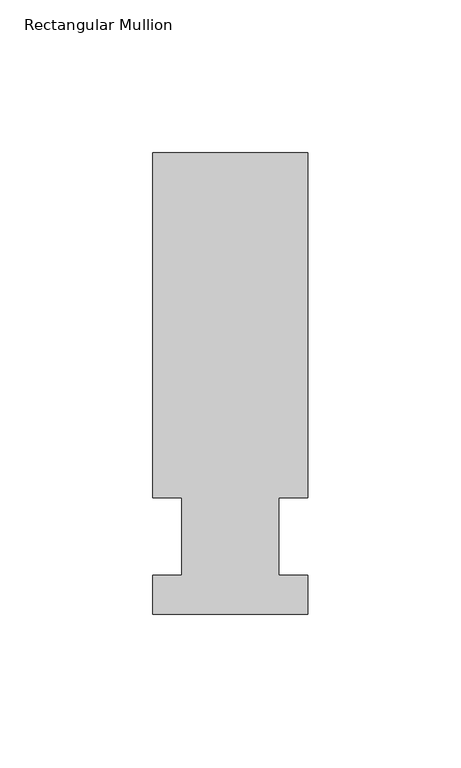
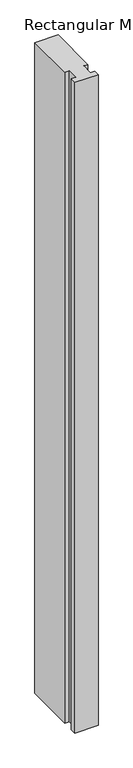
"""IFC4 building model written with IfcOpenShell, lengths in millimetres: member geometry, Rectangular Mullion."""

from ifc_helpers import new_model, si_unit, frame, origin, place, context, project, spatial, polyline, outline, extrude, source, transform, mapped, element, save


def rectangular_mullion_ea9c8ee3(model_context):
    return source(origin(), model_context, "Body", "SweptSolid", [
        extrude(outline(polyline([(-25.4, -25.58415), (-25.4, -12.7), (-15.875, -12.7), (-15.875, 12.7), (-25.4, 12.7), (-25.4, 125.59665), (25.4, 125.59665), (25.4, 12.7), (15.875, 12.7), (15.875, -12.7), (25.4, -12.7), (25.4, -25.58415), (-25.4, -25.58415)])), frame((0.0, 0.0, -1504.95), z_axis=(0.0, 0.0, 1.0), x_axis=(1.0, 0.0, 0.0)), (0.0, 0.0, 1.0), 1504.95),
    ])


if __name__ == "__main__":
    model = new_model("IFC4")
    model_context = context("Model", 3, world=origin())
    ifc_project = project(units=[si_unit("LENGTHUNIT", "METRE", prefix="MILLI")], contexts=[model_context])
    site = spatial("IfcSite", under=ifc_project)
    building = spatial("IfcBuilding", under=site)
    placement = place(None, origin())
    rectangular_mullion_shape = rectangular_mullion_ea9c8ee3(model_context)
    element("IfcMember", 1, ObjectType="Rectangular Mullion", at=placement, inside=building, context=model_context, shape_type="MappedRepresentation", body=[
        mapped(rectangular_mullion_shape, transform((0.0, 0.0, 0.0), x_axis=(1.0, 0.0, 0.0), y_axis=(0.0, 1.0, 0.0), z_axis=(0.0, 0.0, 1.0))),
    ])
    save(model, "model.ifc")
